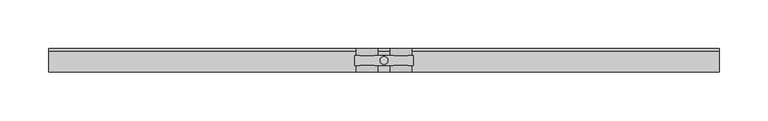
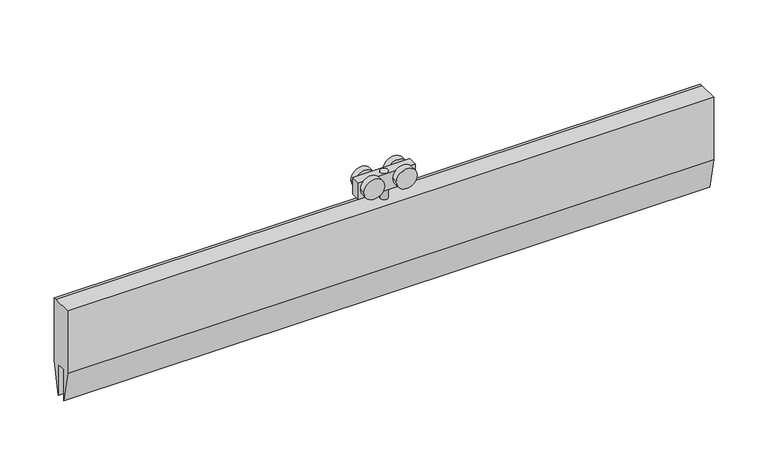
"""IFC4 building model written with IfcOpenShell, lengths in millimetres: proxy geometry."""

import ifcopenshell
import ifcopenshell.guid

model = None  # the IFC model being written
_history = None  # IfcOwnerHistory: only IFC2X3 demands one
_inside = {}  # id of a spatial element -> (the spatial element, [elements in it])
_under = {}  # id of a project, library or spatial element -> (it, [spatial elements below it])
_declared = {}  # id of a project -> (the project, [libraries it declares])
_typed = {}  # id of a type object -> (the type object, [elements of that type])
_made_of = {}  # id of a material, layer set ... -> (it, [elements and type objects made of it])


def new_model(schema):
    """Start an empty IFC model of exactly this schema.

    Asked for "IFC4X3", IfcOpenShell would pick the latest addendum, in which some entities
    have other attributes; the version numbers below select the first issue.
    IFC2X3 requires an IfcOwnerHistory on every rooted entity: one is made here for all.
    """
    global model, _history
    if schema == "IFC4X3":
        model = ifcopenshell.file(schema_version=(4, 3, 0, 0))
    else:
        model = ifcopenshell.file(schema=schema)
    _inside.clear()
    _under.clear()
    _declared.clear()
    _typed.clear()
    _made_of.clear()
    _history = None
    if model.schema == "IFC2X3":
        org = make("IfcOrganization", Name="unknown")
        user = make(
            "IfcPersonAndOrganization",
            ThePerson=make("IfcPerson", FamilyName="unknown"),
            TheOrganization=org,
        )
        app = make(
            "IfcApplication",
            ApplicationDeveloper=org,
            Version="unknown",
            ApplicationFullName="unknown",
            ApplicationIdentifier="unknown",
        )
        _history = make(
            "IfcOwnerHistory",
            OwningUser=user,
            OwningApplication=app,
            ChangeAction="ADDED",
            CreationDate=0,
        )
    return model


def make(cls, **values):
    """One entity of the class cls with the attributes given. An attribute that is None is left unset."""
    return model.create_entity(
        cls, **{name: value for name, value in values.items() if value is not None}
    )


def rooted(cls, **values):
    """An entity with a GlobalId (a new one), such as an element, a storey or a relation."""
    return make(cls, GlobalId=ifcopenshell.guid.new(), OwnerHistory=_history, **values)


def si_unit(unit_type, name, prefix=None):
    """IfcSIUnit, for example si_unit("LENGTHUNIT", "METRE", prefix="MILLI")."""
    return make("IfcSIUnit", UnitType=unit_type, Prefix=prefix, Name=name)


def assignment(units):
    """IfcUnitAssignment: the units of a project."""
    return None if units is None else make("IfcUnitAssignment", Units=units)


def point(xyz):
    """IfcCartesianPoint."""
    return None if xyz is None else make("IfcCartesianPoint", Coordinates=xyz)


def direction(xyz):
    """IfcDirection."""
    return None if xyz is None else make("IfcDirection", DirectionRatios=xyz)


def frame(location, z_axis=None, x_axis=None):
    """IfcAxis2Placement3D, a coordinate frame: its origin and axes. An axis left out is left unset."""
    return make(
        "IfcAxis2Placement3D",
        Location=point(location),
        Axis=direction(z_axis),
        RefDirection=direction(x_axis),
    )


def frame_2d(location, x_axis=None):
    """IfcAxis2Placement2D, a coordinate frame in the plane: its origin and x axis."""
    return make(
        "IfcAxis2Placement2D", Location=point(location), RefDirection=direction(x_axis)
    )


def origin():
    """The frame at (0, 0, 0) with its axes left unset."""
    return frame((0.0, 0.0, 0.0))


def origin_2d():
    """The frame at (0, 0) in the plane with its x axis left unset."""
    return frame_2d((0.0, 0.0))


def place(relative_to, where):
    """IfcLocalPlacement: puts the frame where relative to a parent placement (None: the world)."""
    return make(
        "IfcLocalPlacement", PlacementRelTo=relative_to, RelativePlacement=where
    )


def context(
    kind, dimensions, precision=None, world=None, true_north=None, identifier=None
):
    """IfcGeometricRepresentationContext, for example the 3D "Model" context."""
    return make(
        "IfcGeometricRepresentationContext",
        ContextIdentifier=identifier,
        ContextType=kind,
        CoordinateSpaceDimension=dimensions,
        Precision=precision,
        WorldCoordinateSystem=world,
        TrueNorth=true_north,
    )


def project(units=None, contexts=None):
    """IfcProject with its units and contexts."""
    return rooted(
        "IfcProject",
        Name="project",
        RepresentationContexts=contexts,
        UnitsInContext=assignment(units),
    )


def spatial(cls, under=None, at=None, **own):
    """A site, building, storey or space (cls), placed at a placement, below another one or the project."""
    s = rooted(cls, ObjectPlacement=at, **own)
    if under is not None:
        _under.setdefault(under.id(), (under, []))[1].append(s)
    return s


def polyline(points):
    """IfcPolyline through the points."""
    return make("IfcPolyline", Points=[point(p) for p in points])


def circle_curve(where, radius):
    """IfcCircle in the frame where."""
    return make("IfcCircle", Position=where, Radius=radius)


def trimmed(basis, trim1, trim2, sense, master):
    """IfcTrimmedCurve: the piece of a basis curve between two trims."""
    return make(
        "IfcTrimmedCurve",
        BasisCurve=basis,
        Trim1=trim1,
        Trim2=trim2,
        SenseAgreement=sense,
        MasterRepresentation=master,
    )


def segment(curve, same_sense, transition):
    """IfcCompositeCurveSegment."""
    return make(
        "IfcCompositeCurveSegment",
        Transition=transition,
        SameSense=same_sense,
        ParentCurve=curve,
    )


def composite_curve(segments, self_intersect=None):
    """IfcCompositeCurve: segments joined end to end."""
    return make("IfcCompositeCurve", Segments=segments, SelfIntersect=self_intersect)


def outline(outer, holes=None, kind="AREA"):
    """IfcArbitraryClosedProfileDef: a profile drawn as a closed curve; with holes, ...WithVoids."""
    if holes is None:
        return make("IfcArbitraryClosedProfileDef", ProfileType=kind, OuterCurve=outer)
    return make(
        "IfcArbitraryProfileDefWithVoids",
        ProfileType=kind,
        OuterCurve=outer,
        InnerCurves=holes,
    )


def extrude(swept, where, along, depth):
    """IfcExtrudedAreaSolid: the profile swept, set in the frame where, extruded along a direction by depth."""
    return make(
        "IfcExtrudedAreaSolid",
        SweptArea=swept,
        Position=where,
        ExtrudedDirection=direction(along),
        Depth=depth,
    )


def shape(context_of_items, identifier, shape_type, items):
    """IfcShapeRepresentation: the items that make up one representation, for example the "Body"."""
    return make(
        "IfcShapeRepresentation",
        ContextOfItems=context_of_items,
        RepresentationIdentifier=identifier,
        RepresentationType=shape_type,
        Items=items,
    )


def source(mapping_origin, context_of_items, identifier, shape_type, items):
    """IfcRepresentationMap: a shape defined once, which mapped items show again and again."""
    return make(
        "IfcRepresentationMap",
        MappingOrigin=mapping_origin,
        MappedRepresentation=shape(context_of_items, identifier, shape_type, items),
    )


def transform(
    local_origin,
    x_axis=None,
    y_axis=None,
    z_axis=None,
    scale=None,
    scale2=None,
    scale3=None,
    uniform=True,
):
    """IfcCartesianTransformationOperator3D, or its non-uniform kind. x_axis, y_axis, z_axis: its Axis1, 2, 3."""
    if uniform:
        return make(
            "IfcCartesianTransformationOperator3D",
            Axis1=direction(x_axis),
            Axis2=direction(y_axis),
            LocalOrigin=point(local_origin),
            Scale=scale,
            Axis3=direction(z_axis),
        )
    return make(
        "IfcCartesianTransformationOperator3DnonUniform",
        Axis1=direction(x_axis),
        Axis2=direction(y_axis),
        LocalOrigin=point(local_origin),
        Scale=scale,
        Axis3=direction(z_axis),
        Scale2=scale2,
        Scale3=scale3,
    )


def mapped(mapping_source, mapping_target):
    """IfcMappedItem: shows the shape of a source again, moved by a transform."""
    return make(
        "IfcMappedItem", MappingSource=mapping_source, MappingTarget=mapping_target
    )


def made_of(thing, what):
    """Note that an element or type object is made of a material, layer set ...; save() writes the relation."""
    if what is not None:
        _made_of.setdefault(what.id(), (what, []))[1].append(thing)
    return thing


def element(
    cls,
    number,
    at=None,
    inside=None,
    cuts=None,
    type_object=None,
    material=None,
    context=None,
    identifier="Body",
    shape_type=None,
    held_by="IfcProductDefinitionShape",
    body=None,
    shapes=None,
    **own,
):
    """One element of the class cls, such as IfcWall. Its Tag is "e" and its number.

    at: its placement. inside: the storey or other place that contains it. cuts: it is an
    opening in that element (IfcRelVoidsElement). A single representation is given by context,
    identifier, shape_type and body (its items); several are given by shapes. held_by: the class
    of the entity that holds the representations. save() writes the other relations.
    """
    e = rooted(cls, Tag="e%d" % number, ObjectPlacement=at, **own)
    if body is not None:
        shapes = [shape(context, identifier, shape_type, body)]
    if shapes is not None:
        e.Representation = make(held_by, Representations=shapes)
    if inside is not None:
        _inside.setdefault(inside.id(), (inside, []))[1].append(e)
    if cuts is not None:
        rooted(
            "IfcRelVoidsElement", RelatingBuildingElement=cuts, RelatedOpeningElement=e
        )
    if type_object is not None:
        _typed.setdefault(type_object.id(), (type_object, []))[1].append(e)
    return made_of(e, material)


def aggregate(whole, parts):
    """IfcRelAggregates: a whole, such as a stair, and the parts it consists of."""
    return rooted("IfcRelAggregates", RelatingObject=whole, RelatedObjects=parts)


def save(model, path):
    """Write the relations noted so far, then the file.

    IfcRelAggregates (storeys below a building ...), IfcRelContainedInSpatialStructure (elements
    in a storey), IfcRelDefinesByType, IfcRelAssociatesMaterial and IfcRelDeclares: one each for
    every whole, place, type object, material and project.
    """
    for whole, parts in _under.values():
        aggregate(whole, parts)
    for where, things in _inside.values():
        rooted(
            "IfcRelContainedInSpatialStructure",
            RelatedElements=things,
            RelatingStructure=where,
        )
    for kind, things in _typed.values():
        rooted("IfcRelDefinesByType", RelatedObjects=things, RelatingType=kind)
    for what, things in _made_of.values():
        rooted("IfcRelAssociatesMaterial", RelatedObjects=things, RelatingMaterial=what)
    for by, libraries in _declared.values():
        rooted("IfcRelDeclares", RelatingContext=by, RelatedDefinitions=libraries)
    model.write(path)


def specialty_equipment_673dcaf3(model_context):
    return source(origin(), model_context, "Body", "SweptSolid", [
        extrude(outline(polyline([(-12.0, 49.0), (9.692747, 49.0), (12.0, 49.0), (12.0, -21.0), (5.0, -56.0), (5.0, -21.0), (-5.0, -21.0), (-5.0, -56.0), (-12.0, -21.0), (-12.0, 49.0)])), frame((-342.2222222, 0.0, 0.0), z_axis=(1.0, 0.0, 0.0), x_axis=(0.0, 1.0, 0.0)), (0.0, 0.0, 1.0), 684.4444444),
        extrude(outline(composite_curve([segment(trimmed(circle_curve(origin_2d(), 4.0), [point((-4.0, 0.0))], [point((4.0, 0.0))], False, "CARTESIAN"), True, "CONTINUOUS"), segment(trimmed(circle_curve(origin_2d(), 4.0), [point((4.0, 0.0))], [point((-4.0, 0.0))], False, "CARTESIAN"), True, "CONTINUOUS")], self_intersect=False)), frame((0.0, 0.0, 49.0), z_axis=(0.0, 0.0, 1.0), x_axis=(1.0, 0.0, 0.0)), (0.0, 0.0, 1.0), 30.0),
        extrude(outline(polyline([(30.0, -5.0), (-30.0, -5.0), (-30.0, 5.0), (30.0, 5.0), (30.0, -5.0)])), frame((0.0, 0.0, 60.4593609), z_axis=(0.0, 0.0, 1.0), x_axis=(1.0, 0.0, 0.0)), (0.0, 0.0, 1.0), 18.5406391),
        extrude(outline(composite_curve([segment(trimmed(circle_curve(frame_2d((71.5071727, 17.1562807)), 11.0), [point((71.5071727, 6.1562807))], [point((71.5071727, 28.1562807))], False, "CARTESIAN"), True, "CONTINUOUS"), segment(trimmed(circle_curve(frame_2d((71.5071727, 17.1562807)), 11.0), [point((71.5071727, 28.1562807))], [point((71.5071727, 6.1562807))], False, "CARTESIAN"), True, "CONTINUOUS")], self_intersect=False)), frame((0.0, 5.0, 0.0), z_axis=(0.0, 1.0, 0.0), x_axis=(0.0, 0.0, 1.0)), (0.0, 0.0, 1.0), 7.0),
        extrude(outline(composite_curve([segment(trimmed(circle_curve(frame_2d((71.5, 17.1562807)), 11.0), [point((71.5, 6.1562807))], [point((71.5, 28.1562807))], False, "CARTESIAN"), True, "CONTINUOUS"), segment(trimmed(circle_curve(frame_2d((71.5, 17.1562807)), 11.0), [point((71.5, 28.1562807))], [point((71.5, 6.1562807))], False, "CARTESIAN"), True, "CONTINUOUS")], self_intersect=False)), frame((0.0, -12.0, 0.0), z_axis=(0.0, 1.0, 0.0), x_axis=(0.0, 0.0, 1.0)), (0.0, 0.0, 1.0), 7.0),
        extrude(outline(composite_curve([segment(trimmed(circle_curve(frame_2d((71.5071727, -17.2187193)), 11.0), [point((71.5071727, -28.2187193))], [point((71.5071727, -6.2187193))], False, "CARTESIAN"), True, "CONTINUOUS"), segment(trimmed(circle_curve(frame_2d((71.5071727, -17.2187193)), 11.0), [point((71.5071727, -6.2187193))], [point((71.5071727, -28.2187193))], False, "CARTESIAN"), True, "CONTINUOUS")], self_intersect=False)), frame((0.0, 5.0, 0.0), z_axis=(0.0, 1.0, 0.0), x_axis=(0.0, 0.0, 1.0)), (0.0, 0.0, 1.0), 7.0),
        extrude(outline(composite_curve([segment(trimmed(circle_curve(frame_2d((71.5, -17.2187193)), 11.0), [point((71.5, -28.2187193))], [point((71.5, -6.2187193))], False, "CARTESIAN"), True, "CONTINUOUS"), segment(trimmed(circle_curve(frame_2d((71.5, -17.2187193)), 11.0), [point((71.5, -6.2187193))], [point((71.5, -28.2187193))], False, "CARTESIAN"), True, "CONTINUOUS")], self_intersect=False)), frame((0.0, -12.0, 0.0), z_axis=(0.0, 1.0, 0.0), x_axis=(0.0, 0.0, 1.0)), (0.0, 0.0, 1.0), 7.0),
    ])


if __name__ == "__main__":
    model = new_model("IFC4")
    model_context = context("Model", 3, world=origin())
    ifc_project = project(units=[si_unit("LENGTHUNIT", "METRE", prefix="MILLI")], contexts=[model_context])
    site = spatial("IfcSite", under=ifc_project)
    building = spatial("IfcBuilding", under=site)
    placement = place(None, origin())
    specialty_equipment_shape = specialty_equipment_673dcaf3(model_context)
    element("IfcBuildingElementProxy", 1, Name="Specialty Equipment", at=placement, inside=building, context=model_context, shape_type="MappedRepresentation", body=[
        mapped(specialty_equipment_shape, transform((0.0, 0.0, 0.0), x_axis=(1.0, 0.0, 0.0), y_axis=(0.0, 1.0, 0.0), z_axis=(0.0, 0.0, 1.0))),
    ])
    save(model, "model.ifc")
